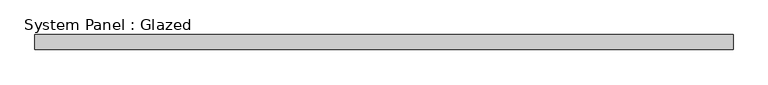
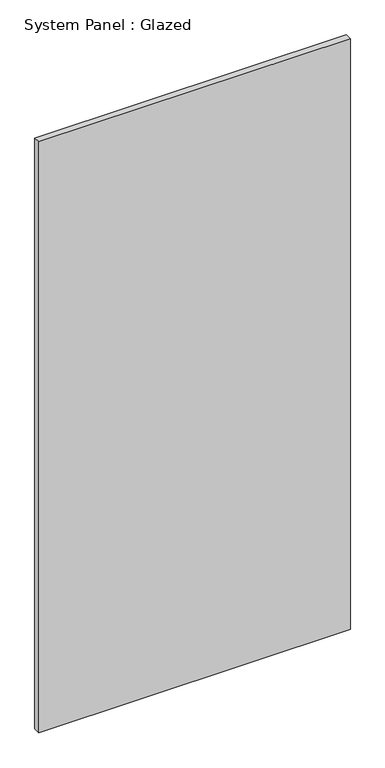
"""IFC4 building model written with IfcOpenShell, lengths in millimetres: plate geometry, System Panel : Glazed."""

from ifc_helpers import new_model, si_unit, origin, origin_with_axes, place, context, project, spatial, polyline, outline, extrude, source, transform, mapped, element, save


def system_panel_glazed_3e2bacdd(model_context):
    return source(origin(), model_context, "Body", "SweptSolid", [
        extrude(outline(polyline([(592.455, 19.05), (-592.455, 19.05), (-592.455, 44.45), (592.455, 44.45), (592.455, 19.05)])), origin_with_axes(), (0.0, 0.0, 1.0), 2374.9),
    ])


if __name__ == "__main__":
    model = new_model("IFC4")
    model_context = context("Model", 3, world=origin())
    ifc_project = project(units=[si_unit("LENGTHUNIT", "METRE", prefix="MILLI")], contexts=[model_context])
    site = spatial("IfcSite", under=ifc_project)
    building = spatial("IfcBuilding", under=site)
    placement = place(None, origin())
    system_panel_glazed_shape = system_panel_glazed_3e2bacdd(model_context)
    element("IfcPlate", 1, ObjectType="System Panel : Glazed", at=placement, inside=building, context=model_context, shape_type="MappedRepresentation", body=[
        mapped(system_panel_glazed_shape, transform((0.0, 0.0, 0.0), x_axis=(1.0, 0.0, 0.0), y_axis=(0.0, 1.0, 0.0), z_axis=(0.0, 0.0, 1.0))),
    ])
    save(model, "model.ifc")
